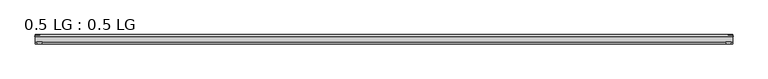
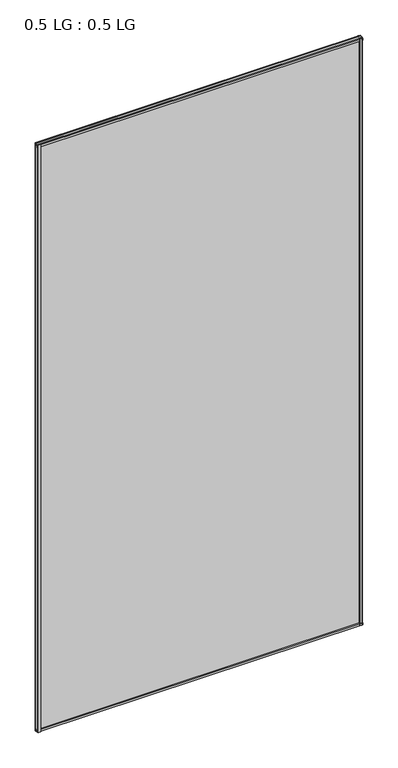
"""IFC4 building model written with IfcOpenShell, lengths in millimetres: plate geometry, 0.5 LG : 0.5 LG."""

from ifc_helpers import new_model, si_unit, frame, origin, origin_with_axes, place, context, project, spatial, polyline, outline, extrude, source, transform, mapped, element, save


def plate_0_5_lg_0_5_lg_b0eeebf3(model_context):
    return source(origin(), model_context, "Body", "SweptSolid", [
        extrude(outline(polyline([(-843.2139513, 16.9767247), (-844.4235412, 21.828125), (-830.8660345, 21.828125), (-832.0756244, 16.9767247), (-843.2139513, 16.9767247)])), origin_with_axes(), (0.0, 0.0, 1.0), 3233.6069945),
        extrude(outline(polyline([(-848.6599387, 34.680525), (-847.4221258, 39.4557249), (-836.3096173, 39.4557249), (-835.0958142, 34.680525), (-848.6599387, 34.680525)])), origin_with_axes(), (0.0, 0.0, 1.0), 3233.6069945),
        extrude(outline(polyline([(843.2139513, 16.9767247), (832.0756244, 16.9767247), (830.8660345, 21.828125), (844.4235412, 21.828125), (843.2139513, 16.9767247)])), origin_with_axes(), (0.0, 0.0, 1.0), 3233.6069945),
        extrude(outline(polyline([(848.6599387, 34.680525), (835.0958142, 34.680525), (836.3096173, 39.4557249), (847.4221258, 39.4557249), (848.6599387, 34.680525)])), origin_with_axes(), (0.0, 0.0, 1.0), 3233.6069945),
        extrude(outline(polyline([(39.4569539, 11.124921), (39.4569539, 0.0005878), (34.680525, -1.2138382), (34.680525, 12.3392211), (39.4569539, 11.124921)])), frame((-847.4221258, 0.0, 0.0), z_axis=(1.0, 0.0, 0.0), x_axis=(0.0, 1.0, 0.0)), (0.0, 0.0, 1.0), 1694.8442516),
        extrude(outline(polyline([(16.9767101, 13.8303088), (21.828125, 15.0636853), (21.828125, 1.4714303), (16.9767101, 2.704584), (16.9767101, 13.8303088)])), frame((-847.4221258, 0.0, 0.0), z_axis=(1.0, 0.0, 0.0), x_axis=(0.0, 1.0, 0.0)), (0.0, 0.0, 1.0), 1694.8442516),
        extrude(outline(polyline([(39.4569539, 3222.4820735), (34.680525, 3221.2677735), (34.680525, 3234.8208327), (39.4569539, 3233.6064067), (39.4569539, 3222.4820735)])), frame((-847.4221258, 0.0, 0.0), z_axis=(1.0, 0.0, 0.0), x_axis=(0.0, 1.0, 0.0)), (0.0, 0.0, 1.0), 1694.8442516),
        extrude(outline(polyline([(16.9767101, 3219.7766857), (16.9767101, 3230.9024106), (21.828125, 3232.1355642), (21.828125, 3218.5433092), (16.9767101, 3219.7766857)])), frame((-847.4221258, 0.0, 0.0), z_axis=(1.0, 0.0, 0.0), x_axis=(0.0, 1.0, 0.0)), (0.0, 0.0, 1.0), 1694.8442516),
        extrude(outline(polyline([(847.4221258, 34.680525), (847.4221258, 21.828125), (-847.4221258, 21.828125), (-847.4221258, 34.680525), (847.4221258, 34.680525)])), origin_with_axes(), (0.0, 0.0, 1.0), 3233.6069945),
    ])


if __name__ == "__main__":
    model = new_model("IFC4")
    model_context = context("Model", 3, world=origin())
    ifc_project = project(units=[si_unit("LENGTHUNIT", "METRE", prefix="MILLI")], contexts=[model_context])
    site = spatial("IfcSite", under=ifc_project)
    building = spatial("IfcBuilding", under=site)
    placement = place(None, origin())
    plate_0_5_lg_0_5_lg_shape = plate_0_5_lg_0_5_lg_b0eeebf3(model_context)
    element("IfcPlate", 1, ObjectType="0.5 LG : 0.5 LG", at=placement, inside=building, context=model_context, shape_type="MappedRepresentation", body=[
        mapped(plate_0_5_lg_0_5_lg_shape, transform((0.0, 0.0, 0.0), x_axis=(1.0, 0.0, 0.0), y_axis=(0.0, 1.0, 0.0), z_axis=(0.0, 0.0, 1.0))),
    ])
    save(model, "model.ifc")
